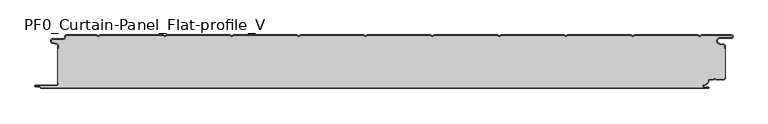
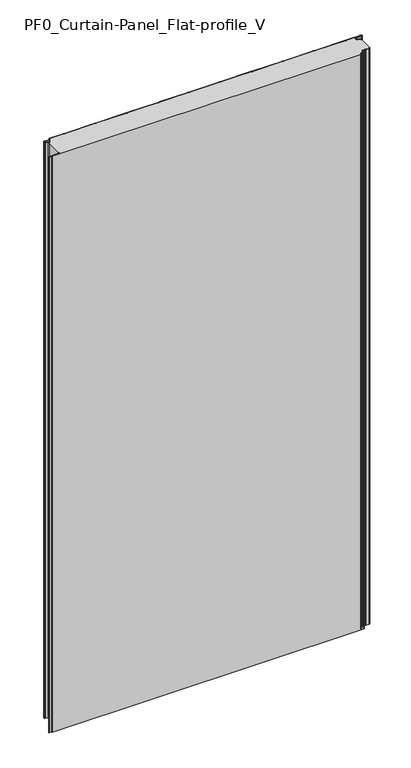
"""IFC4 building model written with IfcOpenShell, lengths in millimetres: plate geometry, PF0_Curtain-Panel_Flat-profile_V."""

from ifc_helpers import new_model, si_unit, point, frame, frame_2d, origin, origin_with_axes, place, context, project, spatial, polyline, circle_curve, trimmed, segment, composite_curve, outline, extrude, source, transform, mapped, element, save
from ifc_brep_helpers import plane_surface, cylinder_surface, revolved_surface, advanced_brep


def pf0_curtain_panel_flat_profile_v_158be7ea(model_context):
    return source(origin(), model_context, "Body", "SolidModel", [
        advanced_brep(
        [(-500.0, -15.878557, 1945.7507136), (-500.0, -20.0, 1945.7507136), (-499.2, -20.0, 1945.7507136), (-499.2, -15.878557, 1945.7507136), (-501.370137, -13.1503208, 1945.7507136), (-507.529863, -11.728236, 1945.7507136), (-506.9, -6.2, 1945.7507136), (-491.4, -6.2, 1945.7507136), (-488.6, -3.4, 1945.7507136), (-488.6, -2.0, 1945.7507136), (-487.4, -0.8, 1945.7507136), (-442.3143588, -0.8, 1945.7507136), (-439.4, -2.482606, 1945.7507136), (-436.4856412, -0.8, 1945.7507136), (-342.3143588, -0.8, 1945.7507136), (-339.4, -2.482606, 1945.7507136), (-336.4856412, -0.8, 1945.7507136), (-242.3143588, -0.8, 1945.7507136), (-239.4, -2.482606, 1945.7507136), (-236.4856412, -0.8, 1945.7507136), (-142.3143588, -0.8, 1945.7507136), (-139.4, -2.482606, 1945.7507136), (-136.4856412, -0.8, 1945.7507136), (-42.3143588, -0.8, 1945.7507136), (-39.4, -2.482606, 1945.7507136), (-36.4856412, -0.8, 1945.7507136), (57.6856412, -0.8, 1945.7507136), (60.6, -2.482606, 1945.7507136), (63.5143588, -0.8, 1945.7507136), (157.6856412, -0.8, 1945.7507136), (160.6, -2.482606, 1945.7507136), (163.5143588, -0.8, 1945.7507136), (257.6856412, -0.8, 1945.7507136), (260.6, -2.482606, 1945.7507136), (263.5143588, -0.8, 1945.7507136), (357.6856412, -0.8, 1945.7507136), (360.6, -2.482606, 1945.7507136), (363.5143588, -0.8, 1945.7507136), (457.6856412, -0.8, 1945.7507136), (460.6, -2.482606, 1945.7507136), (463.5143588, -0.8, 1945.7507136), (508.1, -0.8, 1945.7507136), (508.1, -4.2, 1945.7507136), (491.1, -4.2, 1945.7507136), (490.2664884, -13.7270771, 1945.7507136), (496.7125669, -14.8636953, 1945.7507136), (498.2, -16.6363492, 1945.7507136), (498.2, -20.0, 1945.7507136), (499.0, -20.0, 1945.7507136), (499.0, -16.6363492, 1945.7507136), (496.8514855, -14.0758491, 1945.7507136), (490.405407, -12.939231, 1945.7507136), (491.1, -5.0, 1945.7507136), (508.1, -5.0, 1945.7507136), (510.6, -2.5, 1945.7507136), (508.1, 0.0, 1945.7507136), (463.2999995, 0.0, 1945.7507136), (460.6, -1.5588455, 1945.7507136), (457.9000005, 0.0, 1945.7507136), (363.2999995, 0.0, 1945.7507136), (360.6, -1.5588455, 1945.7507136), (357.9000005, 0.0, 1945.7507136), (263.2999995, 0.0, 1945.7507136), (260.6, -1.5588455, 1945.7507136), (257.9000005, 0.0, 1945.7507136), (163.2999995, 0.0, 1945.7507136), (160.6, -1.5588455, 1945.7507136), (157.9000005, 0.0, 1945.7507136), (63.2999995, 0.0, 1945.7507136), (60.6, -1.5588455, 1945.7507136), (57.9000005, 0.0, 1945.7507136), (-36.7000005, 0.0, 1945.7507136), (-39.4, -1.5588455, 1945.7507136), (-42.0999995, 0.0, 1945.7507136), (-136.7000005, 0.0, 1945.7507136), (-139.4, -1.5588455, 1945.7507136), (-142.0999995, 0.0, 1945.7507136), (-236.7000005, 0.0, 1945.7507136), (-239.4, -1.5588455, 1945.7507136), (-242.0999995, 0.0, 1945.7507136), (-336.7000005, 0.0, 1945.7507136), (-339.4, -1.5588455, 1945.7507136), (-342.0999995, 0.0, 1945.7507136), (-436.7000005, 0.0, 1945.7507136), (-439.4, -1.5588455, 1945.7507136), (-442.0999995, 0.0, 1945.7507136), (-487.4, 0.0, 1945.7507136), (-489.4, -2.0, 1945.7507136), (-489.4, -3.4, 1945.7507136), (-491.4, -5.4, 1945.7507136), (-506.9, -5.4, 1945.7507136), (-507.7098239, -12.5077322, 1945.7507136), (-501.5500979, -13.929817, 1945.7507136), (-500.0, -15.878557, 0.0), (-501.5500978, -13.9298169, 0.0), (-507.7098239, -12.507732, 0.0), (-506.9, -5.4, 0.0), (-491.4, -5.4, 0.0), (-489.4, -3.4, 0.0), (-489.4, -2.0, 0.0), (-487.4, 0.0, 0.0), (-442.0999995, 0.0, 0.0), (-439.4, -1.5588455, 0.0), (-436.7000005, 0.0, 0.0), (-342.0999995, 0.0, 0.0), (-339.4, -1.5588455, 0.0), (-336.7000005, 0.0, 0.0), (-242.0999995, 0.0, 0.0), (-239.4, -1.5588455, 0.0), (-236.7000005, 0.0, 0.0), (-142.0999995, 0.0, 0.0), (-139.4, -1.5588455, 0.0), (-136.7000005, 0.0, 0.0), (-42.0999995, 0.0, 0.0), (-39.4, -1.5588455, 0.0), (-36.7000005, 0.0, 0.0), (57.9000005, 0.0, 0.0), (60.6, -1.5588455, 0.0), (63.2999995, 0.0, 0.0), (157.9000005, 0.0, 0.0), (160.6, -1.5588455, 0.0), (163.2999995, 0.0, 0.0), (257.9000005, 0.0, 0.0), (260.6, -1.5588455, 0.0), (263.2999995, 0.0, 0.0), (357.9000005, 0.0, 0.0), (360.6, -1.5588455, 0.0), (363.2999995, 0.0, 0.0), (457.9000005, 0.0, 0.0), (460.6, -1.5588455, 0.0), (463.2999995, 0.0, 0.0), (508.1, 0.0, 0.0), (510.6, -2.5, 0.0), (508.1, -5.0, 0.0), (491.1, -5.0, 0.0), (490.405407, -12.939231, 0.0), (496.8514855, -14.0758491, 0.0), (499.0, -16.6363492, 0.0), (499.0, -20.0, 0.0), (498.2, -20.0, 0.0), (498.2, -16.6363492, 0.0), (496.7125669, -14.8636953, 0.0), (490.2664884, -13.7270772, 0.0), (491.1, -4.2, 0.0), (508.1, -4.2, 0.0), (508.1, -0.8, 0.0), (463.5143588, -0.8, 0.0), (460.6, -2.482606, 0.0), (457.6856412, -0.8, 0.0), (363.5143588, -0.8, 0.0), (360.6, -2.482606, 0.0), (357.6856412, -0.8, 0.0), (263.5143588, -0.8, 0.0), (260.6, -2.482606, 0.0), (257.6856412, -0.8, 0.0), (163.5143588, -0.8, 0.0), (160.6, -2.482606, 0.0), (157.6856412, -0.8, 0.0), (63.5143588, -0.8, 0.0), (60.6, -2.482606, 0.0), (57.6856412, -0.8, 0.0), (-36.4856412, -0.8, 0.0), (-39.4, -2.482606, 0.0), (-42.3143588, -0.8, 0.0), (-136.4856412, -0.8, 0.0), (-139.4, -2.482606, 0.0), (-142.3143588, -0.8, 0.0), (-236.4856412, -0.8, 0.0), (-239.4, -2.482606, 0.0), (-242.3143588, -0.8, 0.0), (-336.4856412, -0.8, 0.0), (-339.4, -2.482606, 0.0), (-342.3143588, -0.8, 0.0), (-436.4856412, -0.8, 0.0), (-439.4, -2.482606, 0.0), (-442.3143588, -0.8, 0.0), (-487.4, -0.8, 0.0), (-488.6, -2.0, 0.0), (-488.6, -3.4, 0.0), (-491.4, -6.2, 0.0), (-506.9, -6.2, 0.0), (-507.529863, -11.7282362, 0.0), (-501.370137, -13.150321, 0.0), (-499.2, -15.878557, 0.0), (-499.2, -20.0, 0.0), (-500.0, -20.0, 0.0)],
        [
            (0, 1),
            (1, 2),
            (2, 3),
            (3, 4, circle_curve(frame((-502.0, -15.878557, 1945.7507136), z_axis=(0.0, 0.0, 1.0), x_axis=(1.0, 0.0, 0.0)), 2.8)),
            (4, 5),
            (5, 6, circle_curve(frame((-506.9, -9.0, 1945.7507136), z_axis=(0.0, 0.0, -1.0), x_axis=(1.0, 0.0, 0.0)), 2.8)),
            (6, 7),
            (7, 8, circle_curve(frame((-491.4, -3.4, 1945.7507136), z_axis=(0.0, 0.0, 1.0), x_axis=(1.0, 0.0, 0.0)), 2.8)),
            (8, 9),
            (9, 10, circle_curve(frame((-487.4, -2.0, 1945.7507136), z_axis=(0.0, 0.0, -1.0), x_axis=(1.0, 0.0, 0.0)), 1.2)),
            (10, 11),
            (11, 12),
            (12, 13),
            (13, 14),
            (14, 15),
            (15, 16),
            (16, 17),
            (17, 18),
            (18, 19),
            (19, 20),
            (20, 21),
            (21, 22),
            (22, 23),
            (23, 24),
            (24, 25),
            (25, 26),
            (26, 27),
            (27, 28),
            (28, 29),
            (29, 30),
            (30, 31),
            (31, 32),
            (32, 33),
            (33, 34),
            (34, 35),
            (35, 36),
            (36, 37),
            (37, 38),
            (38, 39),
            (39, 40),
            (40, 41),
            (41, 42, circle_curve(frame((508.1, -2.5, 1945.7507136), z_axis=(0.0, 0.0, -1.0), x_axis=(1.0, 0.0, 0.0)), 1.7)),
            (42, 43),
            (43, 44, circle_curve(frame((491.1, -9.0, 1945.7507136), z_axis=(0.0, 0.0, 1.0), x_axis=(1.0, 0.0, 0.0)), 4.8)),
            (44, 45),
            (45, 46, circle_curve(frame((496.4, -16.6363492, 1945.7507136), z_axis=(0.0, 0.0, -1.0), x_axis=(1.0, 0.0, 0.0)), 1.8)),
            (46, 47),
            (47, 48),
            (48, 49),
            (49, 50, circle_curve(frame((496.4, -16.6363492, 1945.7507136), z_axis=(0.0, 0.0, 1.0), x_axis=(1.0, 0.0, 0.0)), 2.6)),
            (50, 51),
            (51, 52, circle_curve(frame((491.1, -9.0, 1945.7507136), z_axis=(0.0, 0.0, -1.0), x_axis=(1.0, 0.0, 0.0)), 4.0)),
            (52, 53),
            (53, 54, circle_curve(frame((508.1, -2.5, 1945.7507136), z_axis=(0.0, 0.0, 1.0), x_axis=(1.0, 0.0, 0.0)), 2.5)),
            (54, 55, circle_curve(frame((508.1, -2.5, 1945.7507136), z_axis=(0.0, 0.0, 1.0), x_axis=(1.0, 0.0, 0.0)), 2.5)),
            (55, 56),
            (56, 57),
            (57, 58),
            (58, 59),
            (59, 60),
            (60, 61),
            (61, 62),
            (62, 63),
            (63, 64),
            (64, 65),
            (65, 66),
            (66, 67),
            (67, 68),
            (68, 69),
            (69, 70),
            (70, 71),
            (71, 72),
            (72, 73),
            (73, 74),
            (74, 75),
            (75, 76),
            (76, 77),
            (77, 78),
            (78, 79),
            (79, 80),
            (80, 81),
            (81, 82),
            (82, 83),
            (83, 84),
            (84, 85),
            (85, 86),
            (86, 87, circle_curve(frame((-487.4, -2.0, 1945.7507136), z_axis=(0.0, 0.0, 1.0), x_axis=(1.0, 0.0, 0.0)), 2.0)),
            (87, 88),
            (88, 89, circle_curve(frame((-491.4, -3.4, 1945.7507136), z_axis=(0.0, 0.0, -1.0), x_axis=(1.0, 0.0, 0.0)), 2.0)),
            (89, 90),
            (90, 91, circle_curve(frame((-506.9, -9.0, 1945.7507136), z_axis=(0.0, 0.0, 1.0), x_axis=(1.0, 0.0, 0.0)), 3.6)),
            (91, 92),
            (92, 0, circle_curve(frame((-502.0, -15.878557, 1945.7507136), z_axis=(0.0, 0.0, -1.0), x_axis=(1.0, 0.0, 0.0)), 2.0)),
            (93, 94, circle_curve(frame((-502.0, -15.878557, 0.0), z_axis=(0.0, 0.0, 1.0), x_axis=(1.0, 0.0, 0.0)), 2.0)),
            (94, 95),
            (95, 96, circle_curve(frame((-506.9, -9.0, 0.0), z_axis=(0.0, 0.0, -1.0), x_axis=(1.0, 0.0, 0.0)), 3.6)),
            (96, 97),
            (97, 98, circle_curve(frame((-491.4, -3.4, 0.0), z_axis=(0.0, 0.0, 1.0), x_axis=(1.0, 0.0, 0.0)), 2.0)),
            (98, 99),
            (99, 100, circle_curve(frame((-487.4, -2.0, 0.0), z_axis=(0.0, 0.0, -1.0), x_axis=(1.0, 0.0, 0.0)), 2.0)),
            (100, 101),
            (101, 102),
            (102, 103),
            (103, 104),
            (104, 105),
            (105, 106),
            (106, 107),
            (107, 108),
            (108, 109),
            (109, 110),
            (110, 111),
            (111, 112),
            (112, 113),
            (113, 114),
            (114, 115),
            (115, 116),
            (116, 117),
            (117, 118),
            (118, 119),
            (119, 120),
            (120, 121),
            (121, 122),
            (122, 123),
            (123, 124),
            (124, 125),
            (125, 126),
            (126, 127),
            (127, 128),
            (128, 129),
            (129, 130),
            (130, 131),
            (131, 132, circle_curve(frame((508.1, -2.5, 0.0), z_axis=(0.0, 0.0, -1.0), x_axis=(1.0, 0.0, 0.0)), 2.5)),
            (132, 133, circle_curve(frame((508.1, -2.5, 0.0), z_axis=(0.0, 0.0, -1.0), x_axis=(1.0, 0.0, 0.0)), 2.5)),
            (133, 134),
            (134, 135, circle_curve(frame((491.1, -9.0, 0.0), z_axis=(0.0, 0.0, 1.0), x_axis=(1.0, 0.0, 0.0)), 4.0)),
            (135, 136),
            (136, 137, circle_curve(frame((496.4, -16.6363492, 0.0), z_axis=(0.0, 0.0, -1.0), x_axis=(1.0, 0.0, 0.0)), 2.6)),
            (137, 138),
            (138, 139),
            (139, 140),
            (140, 141, circle_curve(frame((496.4, -16.6363492, 0.0), z_axis=(0.0, 0.0, 1.0), x_axis=(1.0, 0.0, 0.0)), 1.8)),
            (141, 142),
            (142, 143, circle_curve(frame((491.1, -9.0, 0.0), z_axis=(0.0, 0.0, -1.0), x_axis=(1.0, 0.0, 0.0)), 4.8)),
            (143, 144),
            (144, 145, circle_curve(frame((508.1, -2.5, 0.0), z_axis=(0.0, 0.0, 1.0), x_axis=(1.0, 0.0, 0.0)), 1.7)),
            (145, 146),
            (146, 147),
            (147, 148),
            (148, 149),
            (149, 150),
            (150, 151),
            (151, 152),
            (152, 153),
            (153, 154),
            (154, 155),
            (155, 156),
            (156, 157),
            (157, 158),
            (158, 159),
            (159, 160),
            (160, 161),
            (161, 162),
            (162, 163),
            (163, 164),
            (164, 165),
            (165, 166),
            (166, 167),
            (167, 168),
            (168, 169),
            (169, 170),
            (170, 171),
            (171, 172),
            (172, 173),
            (173, 174),
            (174, 175),
            (175, 176),
            (176, 177, circle_curve(frame((-487.4, -2.0, 0.0), z_axis=(0.0, 0.0, 1.0), x_axis=(1.0, 0.0, 0.0)), 1.2)),
            (177, 178),
            (178, 179, circle_curve(frame((-491.4, -3.4, 0.0), z_axis=(0.0, 0.0, -1.0), x_axis=(1.0, 0.0, 0.0)), 2.8)),
            (179, 180),
            (180, 181, circle_curve(frame((-506.9, -9.0, 0.0), z_axis=(0.0, 0.0, 1.0), x_axis=(1.0, 0.0, 0.0)), 2.8)),
            (181, 182),
            (182, 183, circle_curve(frame((-502.0, -15.878557, 0.0), z_axis=(0.0, 0.0, -1.0), x_axis=(1.0, 0.0, 0.0)), 2.8)),
            (183, 184),
            (184, 185),
            (185, 93),
            (0, 93),
            (185, 1),
            (184, 2),
            (183, 3),
            (182, 4),
            (181, 5),
            (180, 6),
            (179, 7),
            (178, 8),
            (177, 9),
            (176, 10),
            (175, 11),
            (174, 12),
            (173, 13),
            (172, 14),
            (171, 15),
            (170, 16),
            (169, 17),
            (168, 18),
            (167, 19),
            (166, 20),
            (165, 21),
            (164, 22),
            (163, 23),
            (162, 24),
            (161, 25),
            (160, 26),
            (159, 27),
            (158, 28),
            (157, 29),
            (156, 30),
            (155, 31),
            (154, 32),
            (153, 33),
            (152, 34),
            (151, 35),
            (150, 36),
            (149, 37),
            (148, 38),
            (147, 39),
            (146, 40),
            (145, 41),
            (144, 42),
            (143, 43),
            (142, 44),
            (141, 45),
            (140, 46),
            (139, 47),
            (138, 48),
            (137, 49),
            (136, 50),
            (135, 51),
            (134, 52),
            (133, 53),
            (131, 55),
            (56, 130),
            (129, 57),
            (128, 58),
            (127, 59),
            (126, 60),
            (125, 61),
            (124, 62),
            (123, 63),
            (122, 64),
            (121, 65),
            (120, 66),
            (119, 67),
            (118, 68),
            (117, 69),
            (116, 70),
            (115, 71),
            (114, 72),
            (113, 73),
            (112, 74),
            (111, 75),
            (110, 76),
            (109, 77),
            (108, 78),
            (107, 79),
            (106, 80),
            (105, 81),
            (104, 82),
            (103, 83),
            (102, 84),
            (101, 85),
            (100, 86),
            (99, 87),
            (98, 88),
            (97, 89),
            (96, 90),
            (95, 91),
            (94, 92),
        ],
        [
            plane_surface(frame((-500.0, 0.0, 1945.7507136), z_axis=(0.0, 0.0, 1.0), x_axis=(0.0, 1.0, 0.0))),
            plane_surface(frame((-500.0, 0.0, 0.0), z_axis=(0.0, 0.0, -1.0), x_axis=(0.0, 1.0, 0.0))),
            plane_surface(frame((-500.0, -15.878557, 1945.7507136), z_axis=(-1.0, 0.0, 0.0), x_axis=(0.0, 0.0, -1.0))),
            plane_surface(frame((-500.0, -20.0, 1945.7507136), z_axis=(0.0, -1.0, 0.0), x_axis=(0.0, 0.0, -1.0))),
            plane_surface(frame((-499.2, -20.0, 1945.7507136), z_axis=(1.0, 0.0, 0.0), x_axis=(0.0, 0.0, -1.0))),
            cylinder_surface(frame((-502.0, -15.878557, 1945.7507136), z_axis=(0.0, 0.0, 1.0), x_axis=(1.0, 0.0, 0.0)), 2.8),
            plane_surface(frame((-501.370137, -13.150321, 1945.7507136), z_axis=(0.22495108446242484, 0.9743700578318174, 0.0), x_axis=(0.0, 0.0, -1.0))),
            revolved_surface(polyline([(-504.09999999999997, -9.0, 0.0), (-504.09999999999997, -9.0, 1945.7507136)]), (-506.9, -9.0, 1945.7507136), (0.0, 0.0, -1.0)),
            plane_surface(frame((-506.9, -6.2, 1945.7507136), z_axis=(0.0, -1.0, 0.0), x_axis=(0.0, 0.0, -1.0))),
            cylinder_surface(frame((-491.4, -3.4, 1945.7507136), z_axis=(0.0, 0.0, 1.0), x_axis=(1.0, 0.0, 0.0)), 2.8),
            plane_surface(frame((-488.6, -3.4, 1945.7507136), z_axis=(1.0, 0.0, 0.0), x_axis=(0.0, 0.0, -1.0))),
            revolved_surface(polyline([(-486.2, -2.0, 0.0), (-486.2, -2.0, 1945.7507136)]), (-487.4, -2.0, 1945.7507136), (0.0, 0.0, -1.0)),
            plane_surface(frame((-487.4, -0.8, 1945.7507136), z_axis=(0.0, -1.0, 0.0), x_axis=(0.0, 0.0, -1.0))),
            plane_surface(frame((-442.3143588, -0.8, 1945.7507136), z_axis=(-0.5000000299313342, -0.8660253865035741, 0.0), x_axis=(0.0, 0.0, -1.0))),
            plane_surface(frame((-439.4, -2.482606, 1945.7507136), z_axis=(0.5000000299313233, -0.8660253865035805, 0.0), x_axis=(0.0, 0.0, -1.0))),
            plane_surface(frame((-436.4856412, -0.8, 1945.7507136), z_axis=(0.0, -1.0, 0.0), x_axis=(0.0, 0.0, -1.0))),
            plane_surface(frame((-342.3143588, -0.8, 1945.7507136), z_axis=(-0.5000000299313346, -0.8660253865035739, 0.0), x_axis=(0.0, 0.0, -1.0))),
            plane_surface(frame((-339.4, -2.482606, 1945.7507136), z_axis=(0.5000000299313251, -0.8660253865035794, 0.0), x_axis=(0.0, 0.0, -1.0))),
            plane_surface(frame((-336.4856412, -0.8, 1945.7507136), z_axis=(0.0, -1.0, 0.0), x_axis=(0.0, 0.0, -1.0))),
            plane_surface(frame((-242.3143588, -0.8, 1945.7507136), z_axis=(-0.5000000299313346, -0.866025386503574, 0.0), x_axis=(0.0, 0.0, -1.0))),
            plane_surface(frame((-239.4, -2.482606, 1945.7507136), z_axis=(0.5000000299313251, -0.8660253865035794, 0.0), x_axis=(0.0, 0.0, -1.0))),
            plane_surface(frame((-236.4856412, -0.8, 1945.7507136), z_axis=(0.0, -1.0, 0.0), x_axis=(0.0, 0.0, -1.0))),
            plane_surface(frame((-142.3143588, -0.8, 1945.7507136), z_axis=(-0.5000000299313349, -0.8660253865035739, 0.0), x_axis=(0.0, 0.0, -1.0))),
            plane_surface(frame((-139.4, -2.482606, 1945.7507136), z_axis=(0.5000000299313233, -0.8660253865035805, 0.0), x_axis=(0.0, 0.0, -1.0))),
            plane_surface(frame((-136.4856412, -0.8, 1945.7507136), z_axis=(0.0, -1.0, 0.0), x_axis=(0.0, 0.0, -1.0))),
            plane_surface(frame((-42.3143588, -0.8, 1945.7507136), z_axis=(-0.5000000299313346, -0.866025386503574, 0.0), x_axis=(0.0, 0.0, -1.0))),
            plane_surface(frame((-39.4, -2.482606, 1945.7507136), z_axis=(0.5000000299313239, -0.8660253865035802, 0.0), x_axis=(0.0, 0.0, -1.0))),
            plane_surface(frame((-36.4856412, -0.8, 1945.7507136), z_axis=(0.0, -1.0, 0.0), x_axis=(0.0, 0.0, -1.0))),
            plane_surface(frame((57.6856412, -0.8, 1945.7507136), z_axis=(-0.5000000299313347, -0.8660253865035739, 0.0), x_axis=(0.0, 0.0, -1.0))),
            plane_surface(frame((60.6, -2.482606, 1945.7507136), z_axis=(0.5000000299313232, -0.8660253865035805, 0.0), x_axis=(0.0, 0.0, -1.0))),
            plane_surface(frame((63.5143588, -0.8, 1945.7507136), z_axis=(0.0, -1.0, 0.0), x_axis=(0.0, 0.0, -1.0))),
            plane_surface(frame((157.6856412, -0.8, 1945.7507136), z_axis=(-0.5000000299313346, -0.866025386503574, 0.0), x_axis=(0.0, 0.0, -1.0))),
            plane_surface(frame((160.6, -2.482606, 1945.7507136), z_axis=(0.5000000299313262, -0.8660253865035787, 0.0), x_axis=(0.0, 0.0, -1.0))),
            plane_surface(frame((163.5143588, -0.8, 1945.7507136), z_axis=(0.0, -1.0, 0.0), x_axis=(0.0, 0.0, -1.0))),
            plane_surface(frame((257.6856412, -0.8, 1945.7507136), z_axis=(-0.5000000299313346, -0.8660253865035739, 0.0), x_axis=(0.0, 0.0, -1.0))),
            plane_surface(frame((260.6, -2.482606, 1945.7507136), z_axis=(0.5000000299313263, -0.8660253865035787, 0.0), x_axis=(0.0, 0.0, -1.0))),
            plane_surface(frame((263.5143588, -0.8, 1945.7507136), z_axis=(0.0, -1.0, 0.0), x_axis=(0.0, 0.0, -1.0))),
            plane_surface(frame((357.6856412, -0.8, 1945.7507136), z_axis=(-0.5000000299313346, -0.8660253865035739, 0.0), x_axis=(0.0, 0.0, -1.0))),
            plane_surface(frame((360.6, -2.482606, 1945.7507136), z_axis=(0.5000000299313255, -0.8660253865035792, 0.0), x_axis=(0.0, 0.0, -1.0))),
            plane_surface(frame((363.5143588, -0.8, 1945.7507136), z_axis=(0.0, -1.0, 0.0), x_axis=(0.0, 0.0, -1.0))),
            plane_surface(frame((457.6856412, -0.8, 1945.7507136), z_axis=(-0.5000000299313347, -0.8660253865035739, 0.0), x_axis=(0.0, 0.0, -1.0))),
            plane_surface(frame((460.6, -2.482606, 1945.7507136), z_axis=(0.5000000299313263, -0.8660253865035787, 0.0), x_axis=(0.0, 0.0, -1.0))),
            plane_surface(frame((463.5143588, -0.8, 1945.7507136), z_axis=(0.0, -1.0, 0.0), x_axis=(0.0, 0.0, -1.0))),
            revolved_surface(polyline([(509.8, -2.5, 0.0), (509.8, -2.5, 1945.7507136)]), (508.1, -2.5, 1945.7507136), (0.0, 0.0, -1.0)),
            plane_surface(frame((508.1, -4.2, 1945.7507136), z_axis=(0.0, 1.0, 0.0), x_axis=(0.0, 0.0, -1.0))),
            cylinder_surface(frame((491.1, -9.0, 1945.7507136), z_axis=(0.0, 0.0, 1.0), x_axis=(1.0, 0.0, 0.0)), 4.8),
            plane_surface(frame((490.2664884, -13.7270772, 1945.7507136), z_axis=(-0.17364825602592485, -0.9848077391954, 0.0), x_axis=(0.0, 0.0, -1.0))),
            revolved_surface(polyline([(498.2, -16.6363492, 0.0), (498.2, -16.6363492, 1945.7507136)]), (496.4, -16.6363492, 1945.7507136), (0.0, 0.0, -1.0)),
            plane_surface(frame((498.2, -16.6363492, 1945.7507136), z_axis=(-1.0, 0.0, 0.0), x_axis=(0.0, 0.0, -1.0))),
            plane_surface(frame((498.2, -20.0, 1945.7507136), z_axis=(0.0, -1.0, 0.0), x_axis=(0.0, 0.0, -1.0))),
            plane_surface(frame((499.0, -20.0, 1945.7507136), z_axis=(1.0, 0.0, 0.0), x_axis=(0.0, 0.0, -1.0))),
            cylinder_surface(frame((496.4, -16.6363492, 1945.7507136), z_axis=(0.0, 0.0, 1.0), x_axis=(1.0, 0.0, 0.0)), 2.6),
            plane_surface(frame((496.8514855, -14.0758491, 1945.7507136), z_axis=(0.1736482560259256, 0.9848077391953998, 0.0), x_axis=(0.0, 0.0, -1.0))),
            revolved_surface(polyline([(495.1, -9.0, 0.0), (495.1, -9.0, 1945.7507136)]), (491.1, -9.0, 1945.7507136), (0.0, 0.0, -1.0)),
            plane_surface(frame((491.1, -5.0, 1945.7507136), z_axis=(0.0, -1.0, 0.0), x_axis=(0.0, 0.0, -1.0))),
            cylinder_surface(frame((508.1, -2.5, 1945.7507136), z_axis=(0.0, 0.0, 1.0), x_axis=(1.0, 0.0, 0.0)), 2.5),
            plane_surface(frame((463.2999995, 0.0, 1945.7507136), z_axis=(-0.5000000299313235, 0.8660253865035803, 0.0), x_axis=(0.0, 0.0, -1.0))),
            plane_surface(frame((460.6, -1.5588455, 1945.7507136), z_axis=(0.5000000299313346, 0.8660253865035739, 0.0), x_axis=(0.0, 0.0, -1.0))),
            plane_surface(frame((457.9000005, 0.0, 1945.7507136), z_axis=(0.0, 1.0, 0.0), x_axis=(0.0, 0.0, -1.0))),
            plane_surface(frame((363.2999995, 0.0, 1945.7507136), z_axis=(-0.5000000299313235, 0.8660253865035803, 0.0), x_axis=(0.0, 0.0, -1.0))),
            plane_surface(frame((360.6, -1.5588455, 1945.7507136), z_axis=(0.5000000299313346, 0.8660253865035739, 0.0), x_axis=(0.0, 0.0, -1.0))),
            plane_surface(frame((357.9000005, 0.0, 1945.7507136), z_axis=(0.0, 1.0, 0.0), x_axis=(0.0, 0.0, -1.0))),
            plane_surface(frame((263.2999995, 0.0, 1945.7507136), z_axis=(-0.5000000299313235, 0.8660253865035803, 0.0), x_axis=(0.0, 0.0, -1.0))),
            plane_surface(frame((260.6, -1.5588455, 1945.7507136), z_axis=(0.5000000299313346, 0.8660253865035739, 0.0), x_axis=(0.0, 0.0, -1.0))),
            plane_surface(frame((257.9000005, 0.0, 1945.7507136), z_axis=(0.0, 1.0, 0.0), x_axis=(0.0, 0.0, -1.0))),
            plane_surface(frame((163.2999995, 0.0, 1945.7507136), z_axis=(-0.5000000299313235, 0.8660253865035803, 0.0), x_axis=(0.0, 0.0, -1.0))),
            plane_surface(frame((160.6, -1.5588455, 1945.7507136), z_axis=(0.5000000299313346, 0.8660253865035739, 0.0), x_axis=(0.0, 0.0, -1.0))),
            plane_surface(frame((157.9000005, 0.0, 1945.7507136), z_axis=(0.0, 1.0, 0.0), x_axis=(0.0, 0.0, -1.0))),
            plane_surface(frame((63.2999995, 0.0, 1945.7507136), z_axis=(-0.5000000299313235, 0.8660253865035803, 0.0), x_axis=(0.0, 0.0, -1.0))),
            plane_surface(frame((60.6, -1.5588455, 1945.7507136), z_axis=(0.5000000299313346, 0.8660253865035739, 0.0), x_axis=(0.0, 0.0, -1.0))),
            plane_surface(frame((57.9000005, 0.0, 1945.7507136), z_axis=(0.0, 1.0, 0.0), x_axis=(0.0, 0.0, -1.0))),
            plane_surface(frame((-36.7000005, 0.0, 1945.7507136), z_axis=(-0.5000000299313235, 0.8660253865035803, 0.0), x_axis=(0.0, 0.0, -1.0))),
            plane_surface(frame((-39.4, -1.5588455, 1945.7507136), z_axis=(0.5000000299313346, 0.8660253865035739, 0.0), x_axis=(0.0, 0.0, -1.0))),
            plane_surface(frame((-42.0999995, 0.0, 1945.7507136), z_axis=(0.0, 1.0, 0.0), x_axis=(0.0, 0.0, -1.0))),
            plane_surface(frame((-136.7000005, 0.0, 1945.7507136), z_axis=(-0.5000000299313235, 0.8660253865035803, 0.0), x_axis=(0.0, 0.0, -1.0))),
            plane_surface(frame((-139.4, -1.5588455, 1945.7507136), z_axis=(0.5000000299313346, 0.8660253865035739, 0.0), x_axis=(0.0, 0.0, -1.0))),
            plane_surface(frame((-142.0999995, 0.0, 1945.7507136), z_axis=(0.0, 1.0, 0.0), x_axis=(0.0, 0.0, -1.0))),
            plane_surface(frame((-236.7000005, 0.0, 1945.7507136), z_axis=(-0.5000000299313235, 0.8660253865035803, 0.0), x_axis=(0.0, 0.0, -1.0))),
            plane_surface(frame((-239.4, -1.5588455, 1945.7507136), z_axis=(0.5000000299313346, 0.8660253865035739, 0.0), x_axis=(0.0, 0.0, -1.0))),
            plane_surface(frame((-242.0999995, 0.0, 1945.7507136), z_axis=(0.0, 1.0, 0.0), x_axis=(0.0, 0.0, -1.0))),
            plane_surface(frame((-336.7000005, 0.0, 1945.7507136), z_axis=(-0.5000000299313235, 0.8660253865035803, 0.0), x_axis=(0.0, 0.0, -1.0))),
            plane_surface(frame((-339.4, -1.5588455, 1945.7507136), z_axis=(0.5000000299313346, 0.8660253865035739, 0.0), x_axis=(0.0, 0.0, -1.0))),
            plane_surface(frame((-342.0999995, 0.0, 1945.7507136), z_axis=(0.0, 1.0, 0.0), x_axis=(0.0, 0.0, -1.0))),
            plane_surface(frame((-436.7000005, 0.0, 1945.7507136), z_axis=(-0.5000000299313235, 0.8660253865035803, 0.0), x_axis=(0.0, 0.0, -1.0))),
            plane_surface(frame((-439.4, -1.5588455, 1945.7507136), z_axis=(0.5000000299313346, 0.8660253865035739, 0.0), x_axis=(0.0, 0.0, -1.0))),
            plane_surface(frame((-442.0999995, 0.0, 1945.7507136), z_axis=(0.0, 1.0, 0.0), x_axis=(0.0, 0.0, -1.0))),
            cylinder_surface(frame((-487.4, -2.0, 1945.7507136), z_axis=(0.0, 0.0, 1.0), x_axis=(1.0, 0.0, 0.0)), 2.0),
            plane_surface(frame((-489.4, -2.0, 1945.7507136), z_axis=(-1.0, 0.0, 0.0), x_axis=(0.0, 0.0, -1.0))),
            revolved_surface(polyline([(-489.4, -3.4, 0.0), (-489.4, -3.4, 1945.7507136)]), (-491.4, -3.4, 1945.7507136), (0.0, 0.0, -1.0)),
            plane_surface(frame((-491.4, -5.4, 1945.7507136), z_axis=(0.0, 1.0, 0.0), x_axis=(0.0, 0.0, -1.0))),
            cylinder_surface(frame((-506.9, -9.0, 1945.7507136), z_axis=(0.0, 0.0, 1.0), x_axis=(1.0, 0.0, 0.0)), 3.6),
            plane_surface(frame((-507.7098239, -12.507732, 1945.7507136), z_axis=(-0.22495108446242487, -0.9743700578318174, 0.0), x_axis=(0.0, 0.0, -1.0))),
            revolved_surface(polyline([(-500.0, -15.878557, 0.0), (-500.0, -15.878557, 1945.7507136)]), (-502.0, -15.878557, 1945.7507136), (0.0, 0.0, -1.0)),
            plane_surface(frame((508.1, 0.0, 1945.7507136), z_axis=(0.0, 1.0, 0.0), x_axis=(0.0, 0.0, -1.0))),
        ],
        [
            (0, [[1, 2, 3, 4, 5, 6, 7, 8, 9, 10, 11, 12, 13, 14, 15, 16, 17, 18, 19, 20, 21, 22, 23, 24, 25, 26, 27, 28, 29, 30, 31, 32, 33, 34, 35, 36, 37, 38, 39, 40, 41, 42, 43, 44, 45, 46, 47, 48, 49, 50, 51, 52, 53, 54, 55, 56, 57, 58, 59, 60, 61, 62, 63, 64, 65, 66, 67, 68, 69, 70, 71, 72, 73, 74, 75, 76, 77, 78, 79, 80, 81, 82, 83, 84, 85, 86, 87, 88, 89, 90, 91, 92, 93]]),
            (1, [[94, 95, 96, 97, 98, 99, 100, 101, 102, 103, 104, 105, 106, 107, 108, 109, 110, 111, 112, 113, 114, 115, 116, 117, 118, 119, 120, 121, 122, 123, 124, 125, 126, 127, 128, 129, 130, 131, 132, 133, 134, 135, 136, 137, 138, 139, 140, 141, 142, 143, 144, 145, 146, 147, 148, 149, 150, 151, 152, 153, 154, 155, 156, 157, 158, 159, 160, 161, 162, 163, 164, 165, 166, 167, 168, 169, 170, 171, 172, 173, 174, 175, 176, 177, 178, 179, 180, 181, 182, 183, 184, 185, 186]]),
            (2, [[-1, 187, -186, 188]]),
            (3, [[-2, -188, -185, 189]]),
            (4, [[-3, -189, -184, 190]]),
            (5, [[-4, -190, -183, 191]]),
            (6, [[-5, -191, -182, 192]]),
            (7, [[-6, -192, -181, 193]]),
            (8, [[-7, -193, -180, 194]]),
            (9, [[-8, -194, -179, 195]]),
            (10, [[-9, -195, -178, 196]]),
            (11, [[-10, -196, -177, 197]]),
            (12, [[-11, -197, -176, 198]]),
            (13, [[-12, -198, -175, 199]]),
            (14, [[-13, -199, -174, 200]]),
            (15, [[-14, -200, -173, 201]]),
            (16, [[-15, -201, -172, 202]]),
            (17, [[-16, -202, -171, 203]]),
            (18, [[-17, -203, -170, 204]]),
            (19, [[-18, -204, -169, 205]]),
            (20, [[-19, -205, -168, 206]]),
            (21, [[-20, -206, -167, 207]]),
            (22, [[-21, -207, -166, 208]]),
            (23, [[-22, -208, -165, 209]]),
            (24, [[-23, -209, -164, 210]]),
            (25, [[-24, -210, -163, 211]]),
            (26, [[-25, -211, -162, 212]]),
            (27, [[-26, -212, -161, 213]]),
            (28, [[-27, -213, -160, 214]]),
            (29, [[-28, -214, -159, 215]]),
            (30, [[-29, -215, -158, 216]]),
            (31, [[-30, -216, -157, 217]]),
            (32, [[-31, -217, -156, 218]]),
            (33, [[-32, -218, -155, 219]]),
            (34, [[-33, -219, -154, 220]]),
            (35, [[-34, -220, -153, 221]]),
            (36, [[-35, -221, -152, 222]]),
            (37, [[-36, -222, -151, 223]]),
            (38, [[-37, -223, -150, 224]]),
            (39, [[-38, -224, -149, 225]]),
            (40, [[-39, -225, -148, 226]]),
            (41, [[-40, -226, -147, 227]]),
            (42, [[-41, -227, -146, 228]]),
            (43, [[-42, -228, -145, 229]]),
            (44, [[-43, -229, -144, 230]]),
            (45, [[-44, -230, -143, 231]]),
            (46, [[-45, -231, -142, 232]]),
            (47, [[-46, -232, -141, 233]]),
            (48, [[-47, -233, -140, 234]]),
            (49, [[-48, -234, -139, 235]]),
            (50, [[-49, -235, -138, 236]]),
            (51, [[-50, -236, -137, 237]]),
            (52, [[-51, -237, -136, 238]]),
            (53, [[-52, -238, -135, 239]]),
            (54, [[-53, -239, -134, 240]]),
            (55, [[-240, -133, -132, 241, -55, -54]]),
            (56, [[-57, 242, -130, 243]]),
            (57, [[-58, -243, -129, 244]]),
            (58, [[-59, -244, -128, 245]]),
            (59, [[-60, -245, -127, 246]]),
            (60, [[-61, -246, -126, 247]]),
            (61, [[-62, -247, -125, 248]]),
            (62, [[-63, -248, -124, 249]]),
            (63, [[-64, -249, -123, 250]]),
            (64, [[-65, -250, -122, 251]]),
            (65, [[-66, -251, -121, 252]]),
            (66, [[-67, -252, -120, 253]]),
            (67, [[-68, -253, -119, 254]]),
            (68, [[-69, -254, -118, 255]]),
            (69, [[-70, -255, -117, 256]]),
            (70, [[-71, -256, -116, 257]]),
            (71, [[-72, -257, -115, 258]]),
            (72, [[-73, -258, -114, 259]]),
            (73, [[-74, -259, -113, 260]]),
            (74, [[-75, -260, -112, 261]]),
            (75, [[-76, -261, -111, 262]]),
            (76, [[-77, -262, -110, 263]]),
            (77, [[-78, -263, -109, 264]]),
            (78, [[-79, -264, -108, 265]]),
            (79, [[-80, -265, -107, 266]]),
            (80, [[-81, -266, -106, 267]]),
            (81, [[-82, -267, -105, 268]]),
            (82, [[-83, -268, -104, 269]]),
            (83, [[-84, -269, -103, 270]]),
            (84, [[-85, -270, -102, 271]]),
            (85, [[-86, -271, -101, 272]]),
            (86, [[-87, -272, -100, 273]]),
            (87, [[-88, -273, -99, 274]]),
            (88, [[-89, -274, -98, 275]]),
            (89, [[-90, -275, -97, 276]]),
            (90, [[-91, -276, -96, 277]]),
            (91, [[-92, -277, -95, 278]]),
            (92, [[-93, -278, -94, -187]]),
            (93, [[-56, -241, -131, -242]]),
        ],
    ),
        extrude(outline(composite_curve([segment(polyline([(-499.2, -70.0), (-500.0, -70.0), (-500.0, -20.0), (-499.2, -20.0), (-499.2, -15.878557)]), True, "CONTINUOUS"), segment(trimmed(circle_curve(frame_2d((-502.0, -15.878557)), 2.8), [point((-499.2, -15.878557))], [point((-501.370137, -13.1503208))], True, "CARTESIAN"), True, "CONTINUOUS"), segment(polyline([(-501.370137, -13.1503208), (-507.529863, -11.7282362)]), True, "CONTINUOUS"), segment(trimmed(circle_curve(frame_2d((-506.9, -9.0)), 2.8), [point((-507.529863, -11.7282362))], [point((-506.9, -6.2))], False, "CARTESIAN"), True, "CONTINUOUS"), segment(polyline([(-506.9, -6.2), (-491.4, -6.2)]), True, "CONTINUOUS"), segment(trimmed(circle_curve(frame_2d((-491.4, -3.4)), 2.8), [point((-491.4, -6.2))], [point((-488.6, -3.4))], True, "CARTESIAN"), True, "CONTINUOUS"), segment(polyline([(-488.6, -3.4), (-488.6, -2.0)]), True, "CONTINUOUS"), segment(trimmed(circle_curve(frame_2d((-487.4, -2.0)), 1.2), [point((-488.6, -2.0))], [point((-487.4, -0.8))], False, "CARTESIAN"), True, "CONTINUOUS"), segment(polyline([(-487.4, -0.8), (-442.3143588, -0.8), (-439.4, -2.482606), (-436.4856412, -0.8), (-342.3143588, -0.8), (-339.4, -2.482606), (-336.4856412, -0.8), (-242.3143588, -0.8), (-239.4, -2.482606), (-236.4856412, -0.8), (-142.3143588, -0.8), (-139.4, -2.482606), (-136.4856412, -0.8), (-42.3143588, -0.8), (-39.4, -2.482606), (-36.4856412, -0.8), (57.6856412, -0.8), (60.6, -2.482606), (63.5143588, -0.8), (157.6856412, -0.8), (160.6, -2.482606), (163.5143588, -0.8), (257.6856412, -0.8), (260.6, -2.482606), (263.5143588, -0.8), (357.6856412, -0.8), (360.6, -2.482606), (363.5143588, -0.8), (457.6856412, -0.8), (460.6, -2.482606), (463.5143588, -0.8), (508.1, -0.8)]), True, "CONTINUOUS"), segment(trimmed(circle_curve(frame_2d((508.1, -2.5)), 1.7), [point((508.1, -0.8))], [point((508.1, -4.2))], False, "CARTESIAN"), True, "CONTINUOUS"), segment(polyline([(508.1, -4.2), (491.1, -4.2)]), True, "CONTINUOUS"), segment(trimmed(circle_curve(frame_2d((491.1, -9.0)), 4.8), [point((491.1, -4.2))], [point((490.2664884, -13.7270772))], True, "CARTESIAN"), True, "CONTINUOUS"), segment(polyline([(490.2664884, -13.7270772), (496.7125669, -14.8636953)]), True, "CONTINUOUS"), segment(trimmed(circle_curve(frame_2d((496.4, -16.6363492)), 1.8), [point((496.7125669, -14.8636953))], [point((498.2, -16.6363492))], False, "CARTESIAN"), True, "CONTINUOUS"), segment(polyline([(498.2, -16.6363492), (498.2, -20.0), (499.0, -20.0), (499.0, -63.0), (498.2, -63.0), (498.2, -64.4)]), True, "CONTINUOUS"), segment(trimmed(circle_curve(frame_2d((496.4, -64.4)), 1.8), [point((498.2, -64.4))], [point((496.4, -66.2))], False, "CARTESIAN"), True, "CONTINUOUS"), segment(polyline([(496.4, -66.2), (484.8313698, -66.2), (483.0, -64.3686285), (481.1686302, -66.2), (475.0, -66.2)]), True, "CONTINUOUS"), segment(trimmed(circle_curve(frame_2d((475.0, -68.0)), 1.8), [point((475.0, -66.2))], [point((473.2, -68.0))], True, "CARTESIAN"), True, "CONTINUOUS"), segment(polyline([(473.2, -68.0), (473.2, -68.8276204)]), True, "CONTINUOUS"), segment(trimmed(circle_curve(frame_2d((467.8276204, -68.8276204)), 5.3723796), [point((473.2, -68.8276204))], [point((467.8276204, -74.2))], False, "CARTESIAN"), True, "CONTINUOUS"), segment(polyline([(467.8276204, -74.2), (467.0, -74.2)]), True, "CONTINUOUS"), segment(trimmed(circle_curve(frame_2d((467.0, -76.4)), 2.2), [point((467.0, -74.2))], [point((467.0, -78.6))], True, "CARTESIAN"), True, "CONTINUOUS"), segment(polyline([(467.0, -78.6), (472.8891513, -78.6)]), True, "CONTINUOUS"), segment(trimmed(circle_curve(frame_2d((472.8891513, -78.9)), 0.3), [point((472.8891513, -78.6))], [point((472.8891513, -79.2))], False, "CARTESIAN"), True, "CONTINUOUS"), segment(polyline([(472.8891513, -79.2), (-524.4, -79.2)]), True, "CONTINUOUS"), segment(trimmed(circle_curve(frame_2d((-524.4, -78.4)), 0.8), [point((-524.4, -79.2))], [point((-525.2, -78.4))], False, "CARTESIAN"), True, "CONTINUOUS"), segment(trimmed(circle_curve(frame_2d((-526.9, -78.6133333)), 1.7133333), [point((-525.2, -78.4))], [point((-526.9, -76.9))], True, "CARTESIAN"), True, "CONTINUOUS"), segment(polyline([(-526.9, -76.9), (-532.8700312, -76.9)]), True, "CONTINUOUS"), segment(trimmed(circle_curve(frame_2d((-532.8700312, -76.6)), 0.3), [point((-532.8700312, -76.9))], [point((-532.8700312, -76.3))], False, "CARTESIAN"), True, "CONTINUOUS"), segment(polyline([(-532.8700312, -76.3), (-502.0, -76.3)]), True, "CONTINUOUS"), segment(trimmed(circle_curve(frame_2d((-502.0, -73.5)), 2.8), [point((-502.0, -76.3))], [point((-499.2, -73.5))], True, "CARTESIAN"), True, "CONTINUOUS"), segment(polyline([(-499.2, -73.5), (-499.2, -70.0)]), True, "CONTINUOUS")], self_intersect=False)), origin_with_axes(), (0.0, 0.0, 1.0), 1945.7507136),
        extrude(outline(composite_curve([segment(polyline([(-500.0, -70.0), (-499.2, -70.0), (-499.2, -73.5)]), True, "CONTINUOUS"), segment(trimmed(circle_curve(frame_2d((-502.0, -73.5)), 2.8), [point((-499.2, -73.5))], [point((-502.0, -76.3))], False, "CARTESIAN"), True, "CONTINUOUS"), segment(polyline([(-502.0, -76.3), (-532.8700312, -76.3)]), True, "CONTINUOUS"), segment(trimmed(circle_curve(frame_2d((-532.8700312, -76.6)), 0.3), [point((-532.8700312, -76.3))], [point((-532.8700312, -76.9))], True, "CARTESIAN"), True, "CONTINUOUS"), segment(polyline([(-532.8700312, -76.9), (-526.9, -76.9)]), True, "CONTINUOUS"), segment(trimmed(circle_curve(frame_2d((-526.9, -78.6133333)), 1.7133333), [point((-526.9, -76.9))], [point((-525.2, -78.4))], False, "CARTESIAN"), True, "CONTINUOUS"), segment(trimmed(circle_curve(frame_2d((-524.4, -78.4)), 0.8), [point((-525.2, -78.4))], [point((-524.4, -79.2))], True, "CARTESIAN"), True, "CONTINUOUS"), segment(polyline([(-524.4, -79.2), (472.8891513, -79.2)]), True, "CONTINUOUS"), segment(trimmed(circle_curve(frame_2d((472.8891513, -78.9)), 0.3), [point((472.8891513, -79.2))], [point((472.8891513, -78.6))], True, "CARTESIAN"), True, "CONTINUOUS"), segment(polyline([(472.8891513, -78.6), (467.0, -78.6)]), True, "CONTINUOUS"), segment(trimmed(circle_curve(frame_2d((467.0, -76.4)), 2.2), [point((467.0, -78.6))], [point((467.0, -74.2))], False, "CARTESIAN"), True, "CONTINUOUS"), segment(polyline([(467.0, -74.2), (467.8276204, -74.2)]), True, "CONTINUOUS"), segment(trimmed(circle_curve(frame_2d((467.8276204, -68.8276204)), 5.3723796), [point((467.8276204, -74.2))], [point((473.2, -68.8276204))], True, "CARTESIAN"), True, "CONTINUOUS"), segment(polyline([(473.2, -68.8276204), (473.2, -68.0)]), True, "CONTINUOUS"), segment(trimmed(circle_curve(frame_2d((475.0, -68.0)), 1.8), [point((473.2, -68.0))], [point((475.0, -66.2))], False, "CARTESIAN"), True, "CONTINUOUS"), segment(polyline([(475.0, -66.2), (481.1686302, -66.2), (483.0, -64.3686285), (484.8313698, -66.2), (496.4, -66.2)]), True, "CONTINUOUS"), segment(trimmed(circle_curve(frame_2d((496.4, -64.4)), 1.8), [point((496.4, -66.2))], [point((498.2, -64.4))], True, "CARTESIAN"), True, "CONTINUOUS"), segment(polyline([(498.2, -64.4), (498.2, -63.0), (499.0, -63.0), (499.0, -64.4)]), True, "CONTINUOUS"), segment(trimmed(circle_curve(frame_2d((496.4, -64.4)), 2.6), [point((499.0, -64.4))], [point((496.4, -67.0))], False, "CARTESIAN"), True, "CONTINUOUS"), segment(polyline([(496.4, -67.0), (484.4999988, -67.0), (483.0, -65.4999999), (481.5000012, -67.0), (475.0, -67.0)]), True, "CONTINUOUS"), segment(trimmed(circle_curve(frame_2d((475.0, -68.0)), 1.0), [point((475.0, -67.0))], [point((474.0, -68.0))], True, "CARTESIAN"), True, "CONTINUOUS"), segment(polyline([(474.0, -68.0), (474.0, -68.8276204)]), True, "CONTINUOUS"), segment(trimmed(circle_curve(frame_2d((467.8276204, -68.8276204)), 6.1723796), [point((474.0, -68.8276204))], [point((467.8276204, -75.0))], False, "CARTESIAN"), True, "CONTINUOUS"), segment(polyline([(467.8276204, -75.0), (467.0, -75.0)]), True, "CONTINUOUS"), segment(trimmed(circle_curve(frame_2d((467.0, -76.5)), 1.5), [point((467.0, -75.0))], [point((467.0, -78.0))], True, "CARTESIAN"), True, "CONTINUOUS"), segment(polyline([(467.0, -78.0), (473.0, -78.0)]), True, "CONTINUOUS"), segment(trimmed(circle_curve(frame_2d((473.0, -79.0)), 1.0), [point((473.0, -78.0))], [point((473.0, -80.0))], False, "CARTESIAN"), True, "CONTINUOUS"), segment(polyline([(473.0, -80.0), (-524.4, -80.0)]), True, "CONTINUOUS"), segment(trimmed(circle_curve(frame_2d((-524.4, -78.4)), 1.6), [point((-524.4, -80.0))], [point((-526.0, -78.4))], False, "CARTESIAN"), True, "CONTINUOUS"), segment(trimmed(circle_curve(frame_2d((-526.9, -78.4)), 0.9), [point((-526.0, -78.4))], [point((-526.9, -77.5))], True, "CARTESIAN"), True, "CONTINUOUS"), segment(polyline([(-526.9, -77.5), (-533.0, -77.5)]), True, "CONTINUOUS"), segment(trimmed(circle_curve(frame_2d((-533.0, -76.5)), 1.0), [point((-533.0, -77.5))], [point((-533.0, -75.5))], False, "CARTESIAN"), True, "CONTINUOUS"), segment(polyline([(-533.0, -75.5), (-502.0, -75.5)]), True, "CONTINUOUS"), segment(trimmed(circle_curve(frame_2d((-502.0, -73.5)), 2.0), [point((-502.0, -75.5))], [point((-500.0, -73.5))], True, "CARTESIAN"), True, "CONTINUOUS"), segment(polyline([(-500.0, -73.5), (-500.0, -70.0)]), True, "CONTINUOUS")], self_intersect=False)), origin_with_axes(), (0.0, 0.0, 1.0), 1945.7507136),
    ])


if __name__ == "__main__":
    model = new_model("IFC4")
    model_context = context("Model", 3, world=origin())
    ifc_project = project(units=[si_unit("LENGTHUNIT", "METRE", prefix="MILLI")], contexts=[model_context])
    site = spatial("IfcSite", under=ifc_project)
    building = spatial("IfcBuilding", under=site)
    placement = place(None, origin())
    pf0_curtain_panel_flat_profile_v_shape = pf0_curtain_panel_flat_profile_v_158be7ea(model_context)
    element("IfcPlate", 1, ObjectType="PF0_Curtain-Panel_Flat-profile_V", at=placement, inside=building, context=model_context, shape_type="MappedRepresentation", body=[
        mapped(pf0_curtain_panel_flat_profile_v_shape, transform((0.0, 0.0, 0.0), x_axis=(1.0, 0.0, 0.0), y_axis=(0.0, 1.0, 0.0), z_axis=(0.0, 0.0, 1.0))),
    ])
    save(model, "model.ifc")
